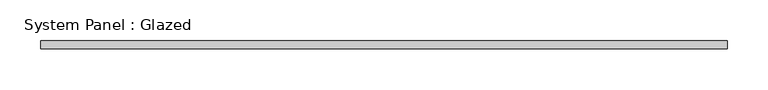
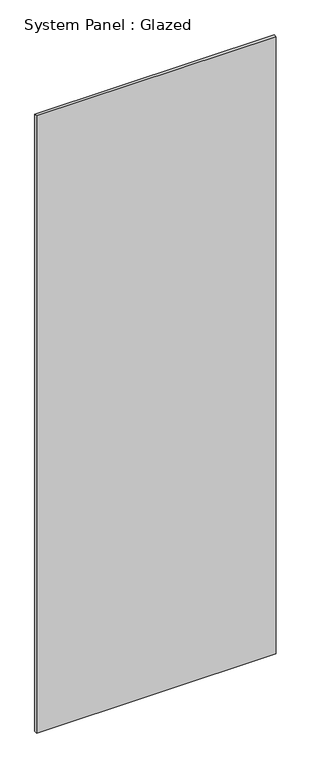
"""IFC4 building model written with IfcOpenShell, lengths in millimetres: plate geometry, System Panel : Glazed."""

from ifc_helpers import new_model, si_unit, origin, origin_with_axes, place, context, project, spatial, polyline, outline, extrude, source, transform, mapped, element, save


def system_panel_glazed_0fa2fb74(model_context):
    return source(origin(), model_context, "Body", "SweptSolid", [
        extrude(outline(polyline([(422.5, -5.0), (-422.5, -5.0), (-422.5, 5.0), (422.5, 5.0), (422.5, -5.0)])), origin_with_axes(), (0.0, 0.0, 1.0), 2300.0),
    ])


if __name__ == "__main__":
    model = new_model("IFC4")
    model_context = context("Model", 3, world=origin())
    ifc_project = project(units=[si_unit("LENGTHUNIT", "METRE", prefix="MILLI")], contexts=[model_context])
    site = spatial("IfcSite", under=ifc_project)
    building = spatial("IfcBuilding", under=site)
    placement = place(None, origin())
    system_panel_glazed_shape = system_panel_glazed_0fa2fb74(model_context)
    element("IfcPlate", 1, ObjectType="System Panel : Glazed", at=placement, inside=building, context=model_context, shape_type="MappedRepresentation", body=[
        mapped(system_panel_glazed_shape, transform((0.0, 0.0, 0.0), x_axis=(1.0, 0.0, 0.0), y_axis=(0.0, 1.0, 0.0), z_axis=(0.0, 0.0, 1.0))),
    ])
    save(model, "model.ifc")
